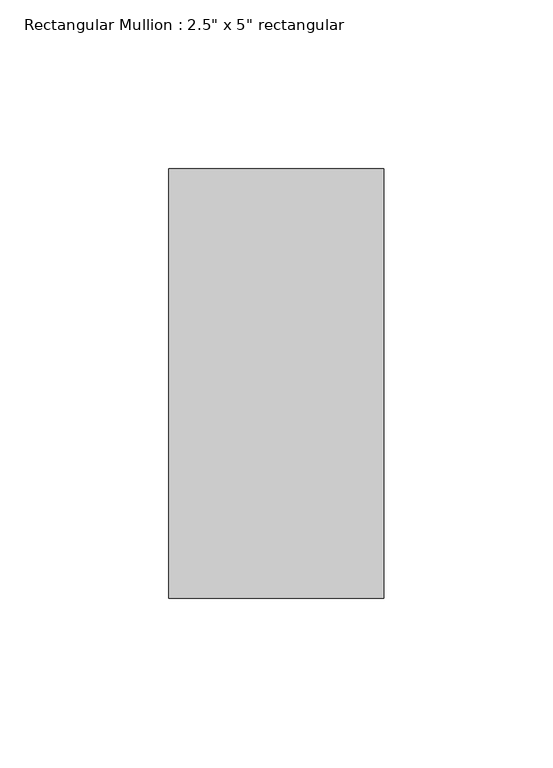
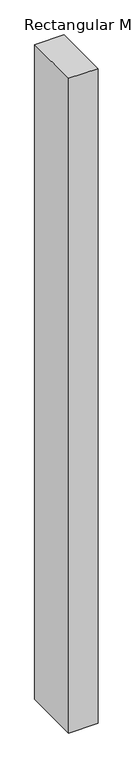
"""IFC4 building model written with IfcOpenShell, lengths in millimetres: member geometry."""

from ifc_helpers import new_model, si_unit, frame, origin, place, context, project, spatial, polyline, outline, extrude, source, transform, mapped, element, save


def member_ecafcbb3(model_context):
    return source(origin(), model_context, "Body", "SweptSolid", [
        extrude(outline(polyline([(0.0, 63.5), (0.0, -63.5), (-63.5, -63.5), (-63.5, 63.5), (0.0, 63.5)])), frame((0.0, 0.0, -1492.25), z_axis=(0.0, 0.0, 1.0), x_axis=(1.0, 0.0, 0.0)), (0.0, 0.0, 1.0), 1492.25),
    ])


if __name__ == "__main__":
    model = new_model("IFC4")
    model_context = context("Model", 3, world=origin())
    ifc_project = project(units=[si_unit("LENGTHUNIT", "METRE", prefix="MILLI")], contexts=[model_context])
    site = spatial("IfcSite", under=ifc_project)
    building = spatial("IfcBuilding", under=site)
    placement = place(None, origin())
    member_shape = member_ecafcbb3(model_context)
    element("IfcMember", 1, ObjectType="Rectangular Mullion : 2.5\" x 5\" rectangular", at=placement, inside=building, context=model_context, shape_type="MappedRepresentation", body=[
        mapped(member_shape, transform((0.0, 0.0, 0.0), x_axis=(1.0, 0.0, 0.0), y_axis=(0.0, 1.0, 0.0), z_axis=(0.0, 0.0, 1.0))),
    ])
    save(model, "model.ifc")
